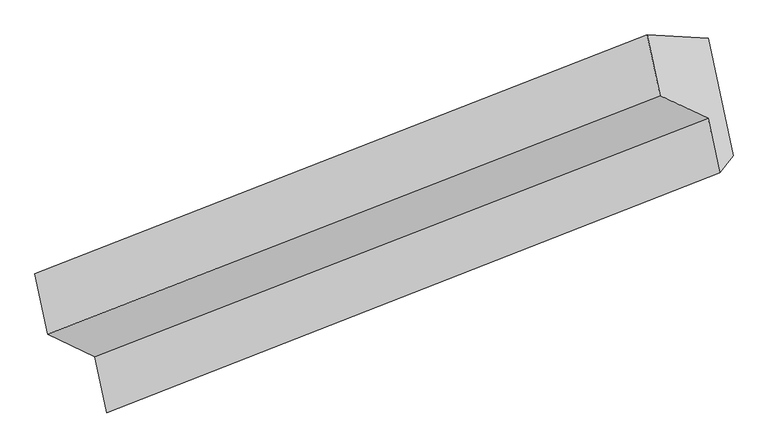
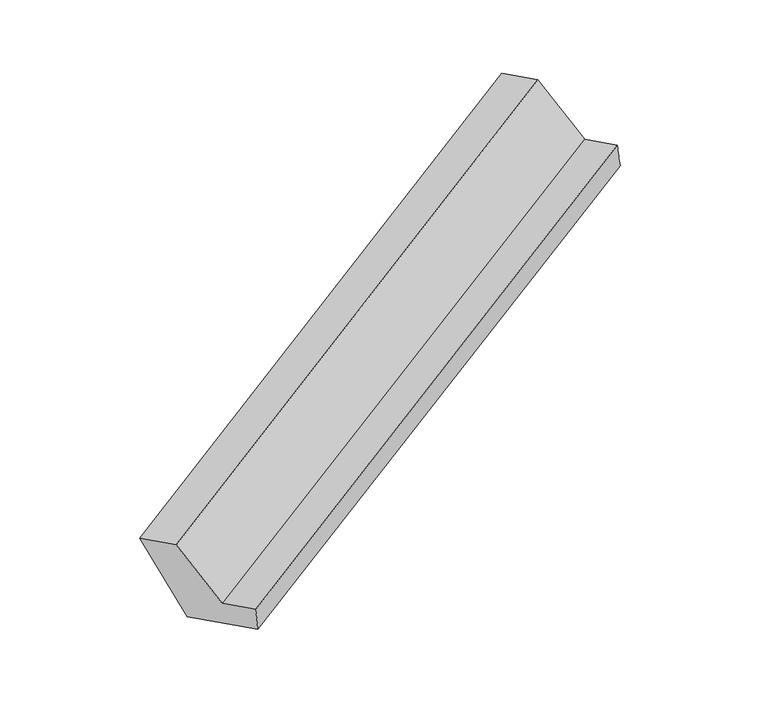
"""IFC4 building model written with IfcOpenShell, lengths in millimetres: proxy geometry."""

from ifc_helpers import new_model, si_unit, frame, origin, place, context, project, spatial, source, transform, mapped, element, save
from ifc_brep_helpers import plane_surface, spline_surface, advanced_brep


def generic_models_233e1772(model_context):
    return source(origin(), model_context, "Body", "AdvancedBrep", [
        advanced_brep(
        [(-4557.3634404, -2592.6782453, 818.2513042), (-4712.5774146, -1853.5133227, 533.6068004), (-858.4943418, -349.150347, 2310.1855234), (-703.2803676, -1088.3152696, 2594.8300272), (-5088.7381194, -1829.5567982, 1333.1639666), (-1242.277289, -329.8171053, 3130.2494368), (-5008.7866821, -2210.3040747, 1479.7856694), (-1162.3258517, -710.5643818, 3276.8711396), (-4711.6367904, -2351.4666543, 951.1816006), (-860.4033356, -853.9942211, 2739.776983), (-4637.828989, -2702.9565128, 1086.5365848), (-788.5185405, -1196.3262775, 2871.6053956)],
        [
            (0, 1),
            (1, 2),
            (2, 3),
            (3, 0),
            (1, 4),
            (4, 5),
            (5, 2),
            (4, 6),
            (6, 7),
            (7, 5),
            (6, 8),
            (8, 9),
            (9, 7),
            (8, 10),
            (10, 11),
            (11, 9),
            (10, 0),
            (3, 11),
        ],
        [
            plane_surface(frame((-4634.9704275, -2223.095784, 675.9290523), z_axis=(0.4791656403000236, -0.22598899686953444, -0.8481328094406975), x_axis=(-0.19230063739315717, 0.9157802091840695, -0.3526571611706864))),
            spline_surface(1, 1, [[(-4712.5774146, -1853.5133227, 533.6068004), (-858.4943418, -349.150347, 2310.1855234)], [(-5088.7381194, -1829.5567982, 1333.1639666), (-1242.277289, -329.8171053, 3130.2494368)]], [2, 2], [2, 2], [0.0, 1.0], [0.0, 1.0]),
            plane_surface(frame((-5048.7624008, -2019.9304365, 1406.474818), z_axis=(-0.4829648725228141, 0.22451174407940572, 0.8463683646494861), x_axis=(0.1923006373931686, -0.9157802091840664, 0.35265716117068785))),
            plane_surface(frame((-4860.2117363, -2280.8853645, 1215.483635), z_axis=(0.19230063739316963, -0.9157802091840662, 0.35265716117068807), x_axis=(0.47726243674886987, -0.22672596760097205, -0.8490087762113735))),
            plane_surface(frame((-4674.7328897, -2527.2115836, 1018.8590927), z_axis=(-0.4810664615652091, 0.22525091870538852, 0.8472526678503336), x_axis=(0.19230063739316894, -0.9157802091840666, 0.3526571611706874))),
            spline_surface(1, 1, [[(-4637.828989, -2702.9565128, 1086.5365848), (-788.5185405, -1196.3262775, 2871.6053956)], [(-4557.3634404, -2592.6782453, 818.2513042), (-703.2803676, -1088.3152696, 2594.8300272)]], [2, 2], [2, 2], [0.0, 1.0], [0.0, 1.0]),
            plane_surface(frame((-935.8832877, -754.6946004, 2820.5864176), z_axis=(0.8574619707758208, 0.3315749448950909, 0.39346794607828334), x_axis=(0.19230063739316894, -0.9157802091840666, 0.3526571611706874))),
            plane_surface(frame((-4786.1552393, -2256.7459347, 1033.754321), z_axis=(-0.8574619707758337, -0.3315749448950846, -0.39346794607826086), x_axis=(-0.26730971282868515, -0.36634873658512024, 0.8912542401750088))),
        ],
        [
            (0, [[1, 2, 3, 4]]),
            (1, [[5, 6, 7, -2]]),
            (2, [[8, 9, 10, -6]]),
            (3, [[11, 12, 13, -9]]),
            (4, [[14, 15, 16, -12]]),
            (5, [[17, -4, 18, -15]]),
            (6, [[-16, -18, -3, -7, -10, -13]]),
            (7, [[-17, -14, -11, -8, -5, -1]]),
        ],
    ),
    ])


if __name__ == "__main__":
    model = new_model("IFC4")
    model_context = context("Model", 3, world=origin())
    ifc_project = project(units=[si_unit("LENGTHUNIT", "METRE", prefix="MILLI")], contexts=[model_context])
    site = spatial("IfcSite", under=ifc_project)
    building = spatial("IfcBuilding", under=site)
    placement = place(None, origin())
    generic_models_shape = generic_models_233e1772(model_context)
    element("IfcBuildingElementProxy", 1, Name="Generic Models", at=placement, inside=building, context=model_context, shape_type="MappedRepresentation", body=[
        mapped(generic_models_shape, transform((0.0, 0.0, 0.0), x_axis=(1.0, 0.0, 0.0), y_axis=(0.0, 1.0, 0.0), z_axis=(0.0, 0.0, 1.0))),
    ])
    save(model, "model.ifc")
